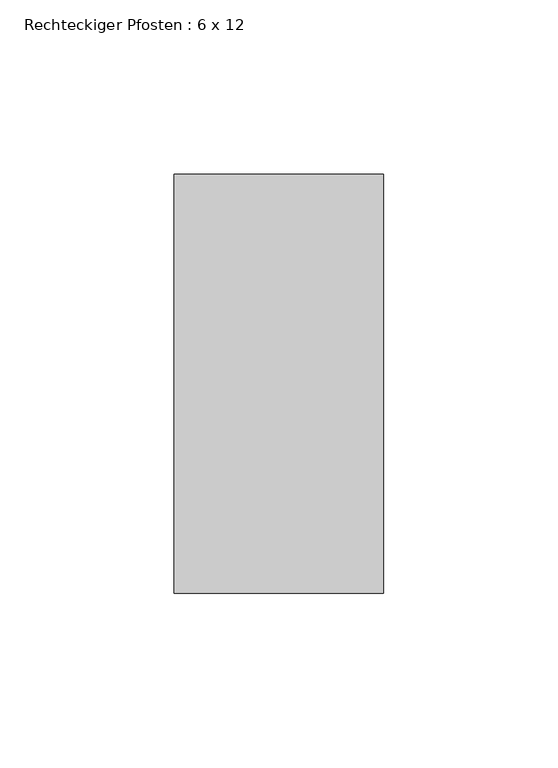
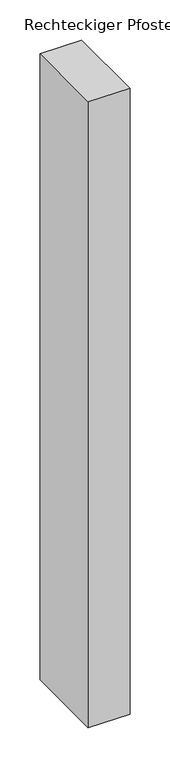
"""IFC4 building model written with IfcOpenShell, lengths in millimetres: member geometry, Rechteckiger Pfosten : 6 x 12."""

import ifcopenshell
import ifcopenshell.guid

model = None  # the IFC model being written
_history = None  # IfcOwnerHistory: only IFC2X3 demands one
_inside = {}  # id of a spatial element -> (the spatial element, [elements in it])
_under = {}  # id of a project, library or spatial element -> (it, [spatial elements below it])
_declared = {}  # id of a project -> (the project, [libraries it declares])
_typed = {}  # id of a type object -> (the type object, [elements of that type])
_made_of = {}  # id of a material, layer set ... -> (it, [elements and type objects made of it])


def new_model(schema):
    """Start an empty IFC model of exactly this schema.

    Asked for "IFC4X3", IfcOpenShell would pick the latest addendum, in which some entities
    have other attributes; the version numbers below select the first issue.
    IFC2X3 requires an IfcOwnerHistory on every rooted entity: one is made here for all.
    """
    global model, _history
    if schema == "IFC4X3":
        model = ifcopenshell.file(schema_version=(4, 3, 0, 0))
    else:
        model = ifcopenshell.file(schema=schema)
    _inside.clear()
    _under.clear()
    _declared.clear()
    _typed.clear()
    _made_of.clear()
    _history = None
    if model.schema == "IFC2X3":
        org = make("IfcOrganization", Name="unknown")
        user = make(
            "IfcPersonAndOrganization",
            ThePerson=make("IfcPerson", FamilyName="unknown"),
            TheOrganization=org,
        )
        app = make(
            "IfcApplication",
            ApplicationDeveloper=org,
            Version="unknown",
            ApplicationFullName="unknown",
            ApplicationIdentifier="unknown",
        )
        _history = make(
            "IfcOwnerHistory",
            OwningUser=user,
            OwningApplication=app,
            ChangeAction="ADDED",
            CreationDate=0,
        )
    return model


def make(cls, **values):
    """One entity of the class cls with the attributes given. An attribute that is None is left unset."""
    return model.create_entity(
        cls, **{name: value for name, value in values.items() if value is not None}
    )


def rooted(cls, **values):
    """An entity with a GlobalId (a new one), such as an element, a storey or a relation."""
    return make(cls, GlobalId=ifcopenshell.guid.new(), OwnerHistory=_history, **values)


def si_unit(unit_type, name, prefix=None):
    """IfcSIUnit, for example si_unit("LENGTHUNIT", "METRE", prefix="MILLI")."""
    return make("IfcSIUnit", UnitType=unit_type, Prefix=prefix, Name=name)


def assignment(units):
    """IfcUnitAssignment: the units of a project."""
    return None if units is None else make("IfcUnitAssignment", Units=units)


def point(xyz):
    """IfcCartesianPoint."""
    return None if xyz is None else make("IfcCartesianPoint", Coordinates=xyz)


def direction(xyz):
    """IfcDirection."""
    return None if xyz is None else make("IfcDirection", DirectionRatios=xyz)


def frame(location, z_axis=None, x_axis=None):
    """IfcAxis2Placement3D, a coordinate frame: its origin and axes. An axis left out is left unset."""
    return make(
        "IfcAxis2Placement3D",
        Location=point(location),
        Axis=direction(z_axis),
        RefDirection=direction(x_axis),
    )


def origin():
    """The frame at (0, 0, 0) with its axes left unset."""
    return frame((0.0, 0.0, 0.0))


def place(relative_to, where):
    """IfcLocalPlacement: puts the frame where relative to a parent placement (None: the world)."""
    return make(
        "IfcLocalPlacement", PlacementRelTo=relative_to, RelativePlacement=where
    )


def context(
    kind, dimensions, precision=None, world=None, true_north=None, identifier=None
):
    """IfcGeometricRepresentationContext, for example the 3D "Model" context."""
    return make(
        "IfcGeometricRepresentationContext",
        ContextIdentifier=identifier,
        ContextType=kind,
        CoordinateSpaceDimension=dimensions,
        Precision=precision,
        WorldCoordinateSystem=world,
        TrueNorth=true_north,
    )


def project(units=None, contexts=None):
    """IfcProject with its units and contexts."""
    return rooted(
        "IfcProject",
        Name="project",
        RepresentationContexts=contexts,
        UnitsInContext=assignment(units),
    )


def spatial(cls, under=None, at=None, **own):
    """A site, building, storey or space (cls), placed at a placement, below another one or the project."""
    s = rooted(cls, ObjectPlacement=at, **own)
    if under is not None:
        _under.setdefault(under.id(), (under, []))[1].append(s)
    return s


def polyline(points):
    """IfcPolyline through the points."""
    return make("IfcPolyline", Points=[point(p) for p in points])


def outline(outer, holes=None, kind="AREA"):
    """IfcArbitraryClosedProfileDef: a profile drawn as a closed curve; with holes, ...WithVoids."""
    if holes is None:
        return make("IfcArbitraryClosedProfileDef", ProfileType=kind, OuterCurve=outer)
    return make(
        "IfcArbitraryProfileDefWithVoids",
        ProfileType=kind,
        OuterCurve=outer,
        InnerCurves=holes,
    )


def extrude(swept, where, along, depth):
    """IfcExtrudedAreaSolid: the profile swept, set in the frame where, extruded along a direction by depth."""
    return make(
        "IfcExtrudedAreaSolid",
        SweptArea=swept,
        Position=where,
        ExtrudedDirection=direction(along),
        Depth=depth,
    )


def shape(context_of_items, identifier, shape_type, items):
    """IfcShapeRepresentation: the items that make up one representation, for example the "Body"."""
    return make(
        "IfcShapeRepresentation",
        ContextOfItems=context_of_items,
        RepresentationIdentifier=identifier,
        RepresentationType=shape_type,
        Items=items,
    )


def source(mapping_origin, context_of_items, identifier, shape_type, items):
    """IfcRepresentationMap: a shape defined once, which mapped items show again and again."""
    return make(
        "IfcRepresentationMap",
        MappingOrigin=mapping_origin,
        MappedRepresentation=shape(context_of_items, identifier, shape_type, items),
    )


def transform(
    local_origin,
    x_axis=None,
    y_axis=None,
    z_axis=None,
    scale=None,
    scale2=None,
    scale3=None,
    uniform=True,
):
    """IfcCartesianTransformationOperator3D, or its non-uniform kind. x_axis, y_axis, z_axis: its Axis1, 2, 3."""
    if uniform:
        return make(
            "IfcCartesianTransformationOperator3D",
            Axis1=direction(x_axis),
            Axis2=direction(y_axis),
            LocalOrigin=point(local_origin),
            Scale=scale,
            Axis3=direction(z_axis),
        )
    return make(
        "IfcCartesianTransformationOperator3DnonUniform",
        Axis1=direction(x_axis),
        Axis2=direction(y_axis),
        LocalOrigin=point(local_origin),
        Scale=scale,
        Axis3=direction(z_axis),
        Scale2=scale2,
        Scale3=scale3,
    )


def mapped(mapping_source, mapping_target):
    """IfcMappedItem: shows the shape of a source again, moved by a transform."""
    return make(
        "IfcMappedItem", MappingSource=mapping_source, MappingTarget=mapping_target
    )


def made_of(thing, what):
    """Note that an element or type object is made of a material, layer set ...; save() writes the relation."""
    if what is not None:
        _made_of.setdefault(what.id(), (what, []))[1].append(thing)
    return thing


def element(
    cls,
    number,
    at=None,
    inside=None,
    cuts=None,
    type_object=None,
    material=None,
    context=None,
    identifier="Body",
    shape_type=None,
    held_by="IfcProductDefinitionShape",
    body=None,
    shapes=None,
    **own,
):
    """One element of the class cls, such as IfcWall. Its Tag is "e" and its number.

    at: its placement. inside: the storey or other place that contains it. cuts: it is an
    opening in that element (IfcRelVoidsElement). A single representation is given by context,
    identifier, shape_type and body (its items); several are given by shapes. held_by: the class
    of the entity that holds the representations. save() writes the other relations.
    """
    e = rooted(cls, Tag="e%d" % number, ObjectPlacement=at, **own)
    if body is not None:
        shapes = [shape(context, identifier, shape_type, body)]
    if shapes is not None:
        e.Representation = make(held_by, Representations=shapes)
    if inside is not None:
        _inside.setdefault(inside.id(), (inside, []))[1].append(e)
    if cuts is not None:
        rooted(
            "IfcRelVoidsElement", RelatingBuildingElement=cuts, RelatedOpeningElement=e
        )
    if type_object is not None:
        _typed.setdefault(type_object.id(), (type_object, []))[1].append(e)
    return made_of(e, material)


def aggregate(whole, parts):
    """IfcRelAggregates: a whole, such as a stair, and the parts it consists of."""
    return rooted("IfcRelAggregates", RelatingObject=whole, RelatedObjects=parts)


def save(model, path):
    """Write the relations noted so far, then the file.

    IfcRelAggregates (storeys below a building ...), IfcRelContainedInSpatialStructure (elements
    in a storey), IfcRelDefinesByType, IfcRelAssociatesMaterial and IfcRelDeclares: one each for
    every whole, place, type object, material and project.
    """
    for whole, parts in _under.values():
        aggregate(whole, parts)
    for where, things in _inside.values():
        rooted(
            "IfcRelContainedInSpatialStructure",
            RelatedElements=things,
            RelatingStructure=where,
        )
    for kind, things in _typed.values():
        rooted("IfcRelDefinesByType", RelatedObjects=things, RelatingType=kind)
    for what, things in _made_of.values():
        rooted("IfcRelAssociatesMaterial", RelatedObjects=things, RelatingMaterial=what)
    for by, libraries in _declared.values():
        rooted("IfcRelDeclares", RelatingContext=by, RelatedDefinitions=libraries)
    model.write(path)


def rechteckiger_pfosten_6_x_12_5ebeba74(model_context):
    return source(origin(), model_context, "Body", "SweptSolid", [
        extrude(outline(polyline([(30.0, 60.0), (30.0, -60.0), (-30.0, -60.0), (-30.0, 60.0), (30.0, 60.0)])), frame((0.0, 0.0, -951.6674959), z_axis=(0.0, 0.0, 1.0), x_axis=(1.0, 0.0, 0.0)), (0.0, 0.0, 1.0), 951.6674959),
    ])


if __name__ == "__main__":
    model = new_model("IFC4")
    model_context = context("Model", 3, world=origin())
    ifc_project = project(units=[si_unit("LENGTHUNIT", "METRE", prefix="MILLI")], contexts=[model_context])
    site = spatial("IfcSite", under=ifc_project)
    building = spatial("IfcBuilding", under=site)
    placement = place(None, origin())
    rechteckiger_pfosten_6_x_12_shape = rechteckiger_pfosten_6_x_12_5ebeba74(model_context)
    element("IfcMember", 1, ObjectType="Rechteckiger Pfosten : 6 x 12", at=placement, inside=building, context=model_context, shape_type="MappedRepresentation", body=[
        mapped(rechteckiger_pfosten_6_x_12_shape, transform((0.0, 0.0, 0.0), x_axis=(1.0, 0.0, 0.0), y_axis=(0.0, 1.0, 0.0), z_axis=(0.0, 0.0, 1.0))),
    ])
    save(model, "model.ifc")
